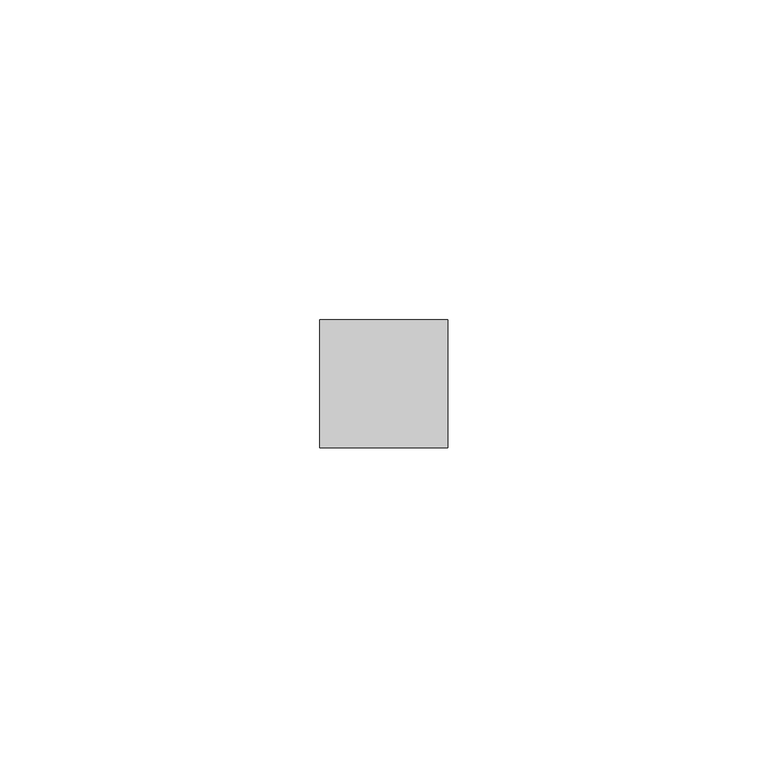
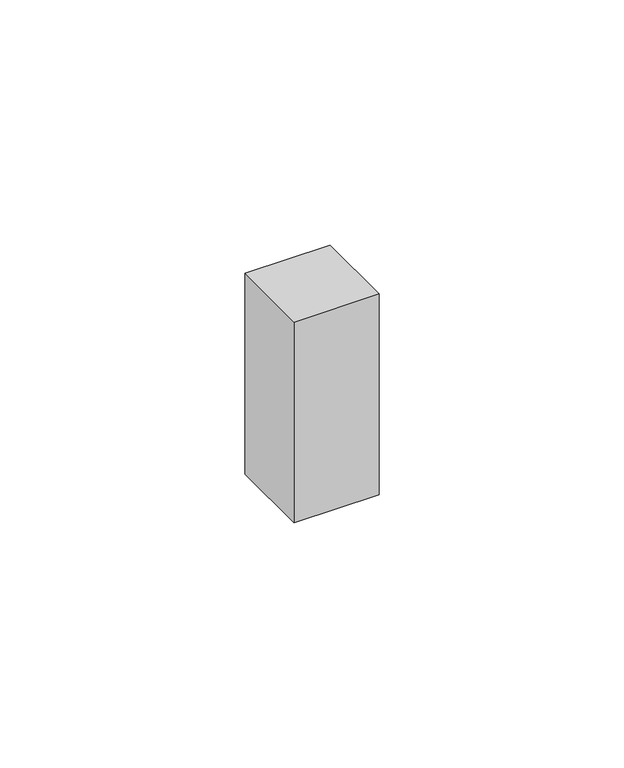
"""IFC4 building model written with IfcOpenShell, lengths in millimetres: proxy geometry."""

from ifc_helpers import new_model, si_unit, origin, origin_with_axes, place, context, project, spatial, polyline, outline, extrude, source, transform, mapped, element, save


def generic_models_a38f7cda(model_context):
    return source(origin(), model_context, "Body", "SweptSolid", [
        extrude(outline(polyline([(20.0, 20.0), (20.0, 0.0), (0.0, 0.0), (0.0, 20.0), (20.0, 20.0)])), origin_with_axes(), (0.0, 0.0, 1.0), 50.0),
    ])


if __name__ == "__main__":
    model = new_model("IFC4")
    model_context = context("Model", 3, world=origin())
    ifc_project = project(units=[si_unit("LENGTHUNIT", "METRE", prefix="MILLI")], contexts=[model_context])
    site = spatial("IfcSite", under=ifc_project)
    building = spatial("IfcBuilding", under=site)
    placement = place(None, origin())
    generic_models_shape = generic_models_a38f7cda(model_context)
    element("IfcBuildingElementProxy", 1, Name="Generic Models", at=placement, inside=building, context=model_context, shape_type="MappedRepresentation", body=[
        mapped(generic_models_shape, transform((0.0, 0.0, 0.0), x_axis=(1.0, 0.0, 0.0), y_axis=(0.0, 1.0, 0.0), z_axis=(0.0, 0.0, 1.0))),
    ])
    save(model, "model.ifc")
